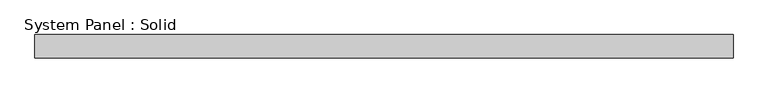
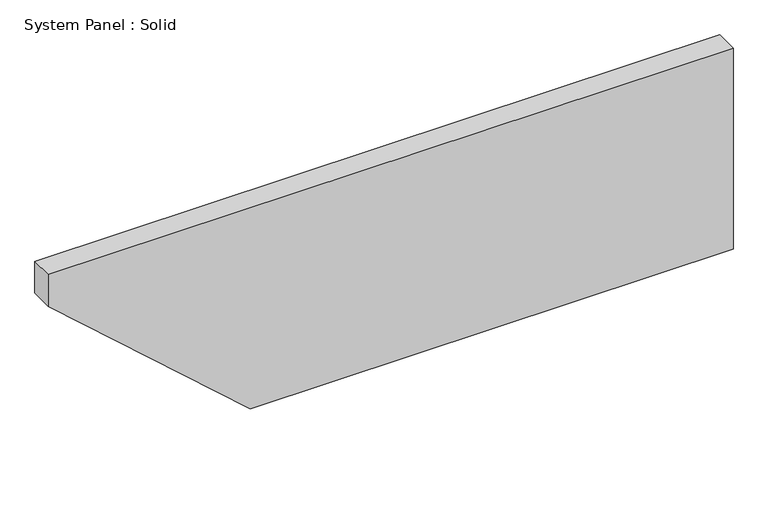
"""IFC4 building model written with IfcOpenShell, lengths in millimetres: plate geometry, System Panel : Solid."""

from ifc_helpers import new_model, si_unit, frame, origin, place, context, project, spatial, polyline, outline, extrude, source, transform, mapped, element, save


def system_panel_solid_8a3df430(model_context):
    return source(origin(), model_context, "Body", "SweptSolid", [
        extrude(outline(polyline([(0.0, -367.1660993), (0.0, 895.5), (556.2568418, 895.5), (556.2568418, -895.5), (468.7353163, -895.5), (0.0, -367.1660993)])), frame((0.0, -10.5, 0.0), z_axis=(0.0, 1.0, 0.0), x_axis=(0.0, 0.0, 1.0)), (0.0, 0.0, 1.0), 60.0),
    ])


if __name__ == "__main__":
    model = new_model("IFC4")
    model_context = context("Model", 3, world=origin())
    ifc_project = project(units=[si_unit("LENGTHUNIT", "METRE", prefix="MILLI")], contexts=[model_context])
    site = spatial("IfcSite", under=ifc_project)
    building = spatial("IfcBuilding", under=site)
    placement = place(None, origin())
    system_panel_solid_shape = system_panel_solid_8a3df430(model_context)
    element("IfcPlate", 1, ObjectType="System Panel : Solid", at=placement, inside=building, context=model_context, shape_type="MappedRepresentation", body=[
        mapped(system_panel_solid_shape, transform((0.0, 0.0, 0.0), x_axis=(1.0, 0.0, 0.0), y_axis=(0.0, 1.0, 0.0), z_axis=(0.0, 0.0, 1.0))),
    ])
    save(model, "model.ifc")
